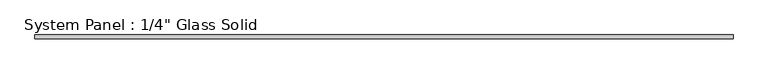
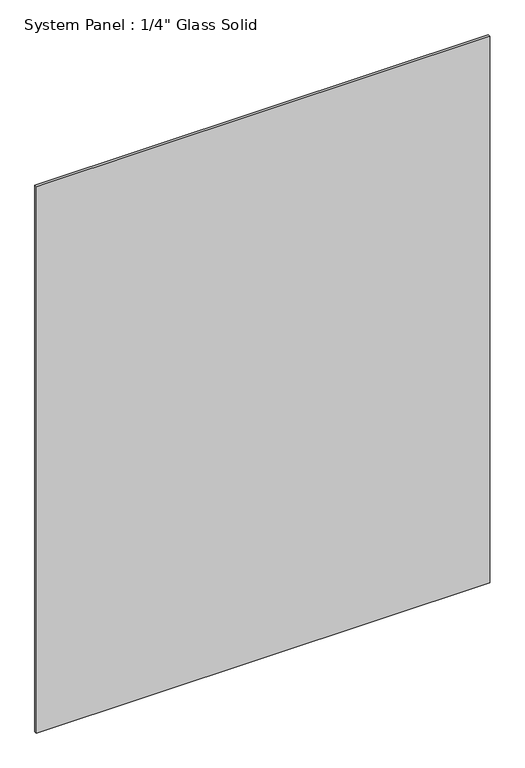
"""IFC4 building model written with IfcOpenShell, lengths in millimetres: plate geometry."""

from ifc_helpers import new_model, si_unit, origin, origin_with_axes, place, context, project, spatial, polyline, outline, extrude, source, transform, mapped, element, save


def plate_4efc3509(model_context):
    return source(origin(), model_context, "Body", "SweptSolid", [
        extrude(outline(polyline([(558.2220691, -3.175), (-558.2220691, -3.175), (-558.2220691, 3.175), (558.2220691, 3.175), (558.2220691, -3.175)])), origin_with_axes(), (0.0, 0.0, 1.0), 1422.2894027),
    ])


if __name__ == "__main__":
    model = new_model("IFC4")
    model_context = context("Model", 3, world=origin())
    ifc_project = project(units=[si_unit("LENGTHUNIT", "METRE", prefix="MILLI")], contexts=[model_context])
    site = spatial("IfcSite", under=ifc_project)
    building = spatial("IfcBuilding", under=site)
    placement = place(None, origin())
    plate_shape = plate_4efc3509(model_context)
    element("IfcPlate", 1, ObjectType="System Panel : 1/4\" Glass Solid", at=placement, inside=building, context=model_context, shape_type="MappedRepresentation", body=[
        mapped(plate_shape, transform((0.0, 0.0, 0.0), x_axis=(1.0, 0.0, 0.0), y_axis=(0.0, 1.0, 0.0), z_axis=(0.0, 0.0, 1.0))),
    ])
    save(model, "model.ifc")
